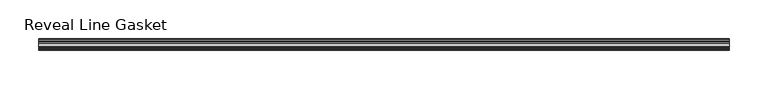
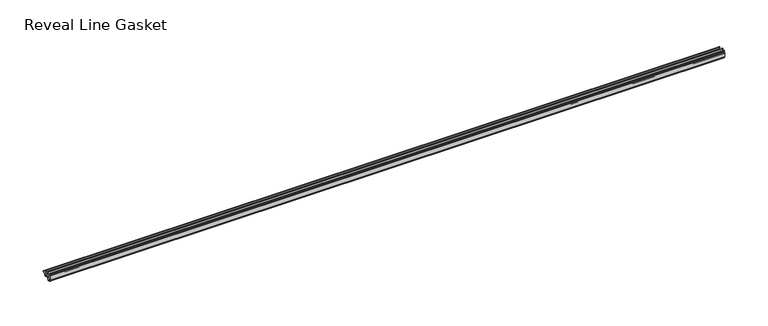
"""IFC4 building model written with IfcOpenShell, lengths in millimetres: furniture geometry, Reveal Line Gasket."""

import ifcopenshell
import ifcopenshell.guid

model = None  # the IFC model being written
_history = None  # IfcOwnerHistory: only IFC2X3 demands one
_inside = {}  # id of a spatial element -> (the spatial element, [elements in it])
_under = {}  # id of a project, library or spatial element -> (it, [spatial elements below it])
_declared = {}  # id of a project -> (the project, [libraries it declares])
_typed = {}  # id of a type object -> (the type object, [elements of that type])
_made_of = {}  # id of a material, layer set ... -> (it, [elements and type objects made of it])


def new_model(schema):
    """Start an empty IFC model of exactly this schema.

    Asked for "IFC4X3", IfcOpenShell would pick the latest addendum, in which some entities
    have other attributes; the version numbers below select the first issue.
    IFC2X3 requires an IfcOwnerHistory on every rooted entity: one is made here for all.
    """
    global model, _history
    if schema == "IFC4X3":
        model = ifcopenshell.file(schema_version=(4, 3, 0, 0))
    else:
        model = ifcopenshell.file(schema=schema)
    _inside.clear()
    _under.clear()
    _declared.clear()
    _typed.clear()
    _made_of.clear()
    _history = None
    if model.schema == "IFC2X3":
        org = make("IfcOrganization", Name="unknown")
        user = make(
            "IfcPersonAndOrganization",
            ThePerson=make("IfcPerson", FamilyName="unknown"),
            TheOrganization=org,
        )
        app = make(
            "IfcApplication",
            ApplicationDeveloper=org,
            Version="unknown",
            ApplicationFullName="unknown",
            ApplicationIdentifier="unknown",
        )
        _history = make(
            "IfcOwnerHistory",
            OwningUser=user,
            OwningApplication=app,
            ChangeAction="ADDED",
            CreationDate=0,
        )
    return model


def make(cls, **values):
    """One entity of the class cls with the attributes given. An attribute that is None is left unset."""
    return model.create_entity(
        cls, **{name: value for name, value in values.items() if value is not None}
    )


def rooted(cls, **values):
    """An entity with a GlobalId (a new one), such as an element, a storey or a relation."""
    return make(cls, GlobalId=ifcopenshell.guid.new(), OwnerHistory=_history, **values)


def si_unit(unit_type, name, prefix=None):
    """IfcSIUnit, for example si_unit("LENGTHUNIT", "METRE", prefix="MILLI")."""
    return make("IfcSIUnit", UnitType=unit_type, Prefix=prefix, Name=name)


def assignment(units):
    """IfcUnitAssignment: the units of a project."""
    return None if units is None else make("IfcUnitAssignment", Units=units)


def point(xyz):
    """IfcCartesianPoint."""
    return None if xyz is None else make("IfcCartesianPoint", Coordinates=xyz)


def direction(xyz):
    """IfcDirection."""
    return None if xyz is None else make("IfcDirection", DirectionRatios=xyz)


def frame(location, z_axis=None, x_axis=None):
    """IfcAxis2Placement3D, a coordinate frame: its origin and axes. An axis left out is left unset."""
    return make(
        "IfcAxis2Placement3D",
        Location=point(location),
        Axis=direction(z_axis),
        RefDirection=direction(x_axis),
    )


def frame_2d(location, x_axis=None):
    """IfcAxis2Placement2D, a coordinate frame in the plane: its origin and x axis."""
    return make(
        "IfcAxis2Placement2D", Location=point(location), RefDirection=direction(x_axis)
    )


def origin():
    """The frame at (0, 0, 0) with its axes left unset."""
    return frame((0.0, 0.0, 0.0))


def place(relative_to, where):
    """IfcLocalPlacement: puts the frame where relative to a parent placement (None: the world)."""
    return make(
        "IfcLocalPlacement", PlacementRelTo=relative_to, RelativePlacement=where
    )


def context(
    kind, dimensions, precision=None, world=None, true_north=None, identifier=None
):
    """IfcGeometricRepresentationContext, for example the 3D "Model" context."""
    return make(
        "IfcGeometricRepresentationContext",
        ContextIdentifier=identifier,
        ContextType=kind,
        CoordinateSpaceDimension=dimensions,
        Precision=precision,
        WorldCoordinateSystem=world,
        TrueNorth=true_north,
    )


def project(units=None, contexts=None):
    """IfcProject with its units and contexts."""
    return rooted(
        "IfcProject",
        Name="project",
        RepresentationContexts=contexts,
        UnitsInContext=assignment(units),
    )


def spatial(cls, under=None, at=None, **own):
    """A site, building, storey or space (cls), placed at a placement, below another one or the project."""
    s = rooted(cls, ObjectPlacement=at, **own)
    if under is not None:
        _under.setdefault(under.id(), (under, []))[1].append(s)
    return s


def polyline(points):
    """IfcPolyline through the points."""
    return make("IfcPolyline", Points=[point(p) for p in points])


def circle_curve(where, radius):
    """IfcCircle in the frame where."""
    return make("IfcCircle", Position=where, Radius=radius)


def trimmed(basis, trim1, trim2, sense, master):
    """IfcTrimmedCurve: the piece of a basis curve between two trims."""
    return make(
        "IfcTrimmedCurve",
        BasisCurve=basis,
        Trim1=trim1,
        Trim2=trim2,
        SenseAgreement=sense,
        MasterRepresentation=master,
    )


def segment(curve, same_sense, transition):
    """IfcCompositeCurveSegment."""
    return make(
        "IfcCompositeCurveSegment",
        Transition=transition,
        SameSense=same_sense,
        ParentCurve=curve,
    )


def composite_curve(segments, self_intersect=None):
    """IfcCompositeCurve: segments joined end to end."""
    return make("IfcCompositeCurve", Segments=segments, SelfIntersect=self_intersect)


def outline(outer, holes=None, kind="AREA"):
    """IfcArbitraryClosedProfileDef: a profile drawn as a closed curve; with holes, ...WithVoids."""
    if holes is None:
        return make("IfcArbitraryClosedProfileDef", ProfileType=kind, OuterCurve=outer)
    return make(
        "IfcArbitraryProfileDefWithVoids",
        ProfileType=kind,
        OuterCurve=outer,
        InnerCurves=holes,
    )


def extrude(swept, where, along, depth):
    """IfcExtrudedAreaSolid: the profile swept, set in the frame where, extruded along a direction by depth."""
    return make(
        "IfcExtrudedAreaSolid",
        SweptArea=swept,
        Position=where,
        ExtrudedDirection=direction(along),
        Depth=depth,
    )


def shape(context_of_items, identifier, shape_type, items):
    """IfcShapeRepresentation: the items that make up one representation, for example the "Body"."""
    return make(
        "IfcShapeRepresentation",
        ContextOfItems=context_of_items,
        RepresentationIdentifier=identifier,
        RepresentationType=shape_type,
        Items=items,
    )


def source(mapping_origin, context_of_items, identifier, shape_type, items):
    """IfcRepresentationMap: a shape defined once, which mapped items show again and again."""
    return make(
        "IfcRepresentationMap",
        MappingOrigin=mapping_origin,
        MappedRepresentation=shape(context_of_items, identifier, shape_type, items),
    )


def transform(
    local_origin,
    x_axis=None,
    y_axis=None,
    z_axis=None,
    scale=None,
    scale2=None,
    scale3=None,
    uniform=True,
):
    """IfcCartesianTransformationOperator3D, or its non-uniform kind. x_axis, y_axis, z_axis: its Axis1, 2, 3."""
    if uniform:
        return make(
            "IfcCartesianTransformationOperator3D",
            Axis1=direction(x_axis),
            Axis2=direction(y_axis),
            LocalOrigin=point(local_origin),
            Scale=scale,
            Axis3=direction(z_axis),
        )
    return make(
        "IfcCartesianTransformationOperator3DnonUniform",
        Axis1=direction(x_axis),
        Axis2=direction(y_axis),
        LocalOrigin=point(local_origin),
        Scale=scale,
        Axis3=direction(z_axis),
        Scale2=scale2,
        Scale3=scale3,
    )


def mapped(mapping_source, mapping_target):
    """IfcMappedItem: shows the shape of a source again, moved by a transform."""
    return make(
        "IfcMappedItem", MappingSource=mapping_source, MappingTarget=mapping_target
    )


def made_of(thing, what):
    """Note that an element or type object is made of a material, layer set ...; save() writes the relation."""
    if what is not None:
        _made_of.setdefault(what.id(), (what, []))[1].append(thing)
    return thing


def element(
    cls,
    number,
    at=None,
    inside=None,
    cuts=None,
    type_object=None,
    material=None,
    context=None,
    identifier="Body",
    shape_type=None,
    held_by="IfcProductDefinitionShape",
    body=None,
    shapes=None,
    **own,
):
    """One element of the class cls, such as IfcWall. Its Tag is "e" and its number.

    at: its placement. inside: the storey or other place that contains it. cuts: it is an
    opening in that element (IfcRelVoidsElement). A single representation is given by context,
    identifier, shape_type and body (its items); several are given by shapes. held_by: the class
    of the entity that holds the representations. save() writes the other relations.
    """
    e = rooted(cls, Tag="e%d" % number, ObjectPlacement=at, **own)
    if body is not None:
        shapes = [shape(context, identifier, shape_type, body)]
    if shapes is not None:
        e.Representation = make(held_by, Representations=shapes)
    if inside is not None:
        _inside.setdefault(inside.id(), (inside, []))[1].append(e)
    if cuts is not None:
        rooted(
            "IfcRelVoidsElement", RelatingBuildingElement=cuts, RelatedOpeningElement=e
        )
    if type_object is not None:
        _typed.setdefault(type_object.id(), (type_object, []))[1].append(e)
    return made_of(e, material)


def aggregate(whole, parts):
    """IfcRelAggregates: a whole, such as a stair, and the parts it consists of."""
    return rooted("IfcRelAggregates", RelatingObject=whole, RelatedObjects=parts)


def save(model, path):
    """Write the relations noted so far, then the file.

    IfcRelAggregates (storeys below a building ...), IfcRelContainedInSpatialStructure (elements
    in a storey), IfcRelDefinesByType, IfcRelAssociatesMaterial and IfcRelDeclares: one each for
    every whole, place, type object, material and project.
    """
    for whole, parts in _under.values():
        aggregate(whole, parts)
    for where, things in _inside.values():
        rooted(
            "IfcRelContainedInSpatialStructure",
            RelatedElements=things,
            RelatingStructure=where,
        )
    for kind, things in _typed.values():
        rooted("IfcRelDefinesByType", RelatedObjects=things, RelatingType=kind)
    for what, things in _made_of.values():
        rooted("IfcRelAssociatesMaterial", RelatedObjects=things, RelatingMaterial=what)
    for by, libraries in _declared.values():
        rooted("IfcRelDeclares", RelatingContext=by, RelatedDefinitions=libraries)
    model.write(path)


def reveal_line_gasket_031addda(model_context):
    return source(origin(), model_context, "Body", "SweptSolid", [
        extrude(outline(composite_curve([segment(polyline([(-7.6326998, 1603.2), (-7.4091917, 1604.1554927), (-6.8813059, 1605.0884684)]), True, "CONTINUOUS"), segment(trimmed(circle_curve(frame_2d((-6.5243141, 1604.8864793)), 0.4101739), [point((-6.8813059, 1605.0884684))], [point((-6.1246704, 1604.7941347))], False, "CARTESIAN"), True, "CONTINUOUS"), segment(polyline([(-6.1246704, 1604.7941347), (-6.3626997, 1603.0979086), (-6.3626997, 1601.0654527)]), True, "CONTINUOUS"), segment(trimmed(circle_curve(frame_2d((-5.6959605, 1601.4819258)), 0.786124), [point((-6.3626997, 1601.0654527))], [point((-5.0926996, 1600.977875))], True, "CARTESIAN"), True, "CONTINUOUS"), segment(polyline([(-5.0926996, 1600.977875), (-0.7492996, 1600.977875), (-3.7293824, 1606.1395295)]), True, "CONTINUOUS"), segment(trimmed(circle_curve(frame_2d((-3.3132479, 1606.2049761)), 0.4212495), [point((-3.7293824, 1606.1395295))], [point((-3.0485022, 1606.5326358))], False, "CARTESIAN"), True, "CONTINUOUS"), segment(polyline([(-3.0485022, 1606.5326358), (0.5742594, 1600.977875), (4.8262978, 1600.977875), (3.1660374, 1603.8535297)]), True, "CONTINUOUS"), segment(trimmed(circle_curve(frame_2d((3.5978728, 1603.9118855)), 0.4357605), [point((3.1660374, 1603.8535297))], [point((3.864328, 1604.2566881))], False, "CARTESIAN"), True, "CONTINUOUS"), segment(polyline([(3.864328, 1604.2566881), (6.1944059, 1600.977875), (7.6326998, 1600.977875), (7.6326998, 1599.422125), (6.1944059, 1599.422125), (3.864328, 1596.1433119)]), True, "CONTINUOUS"), segment(trimmed(circle_curve(frame_2d((3.5978728, 1596.4881145)), 0.4357605), [point((3.864328, 1596.1433119))], [point((3.1660374, 1596.5464703))], False, "CARTESIAN"), True, "CONTINUOUS"), segment(polyline([(3.1660374, 1596.5464703), (4.8262978, 1599.422125), (0.5742594, 1599.422125), (-3.0485022, 1593.8673642)]), True, "CONTINUOUS"), segment(trimmed(circle_curve(frame_2d((-3.3132479, 1594.1950239)), 0.4212495), [point((-3.0485022, 1593.8673642))], [point((-3.7293824, 1594.2604705))], False, "CARTESIAN"), True, "CONTINUOUS"), segment(polyline([(-3.7293824, 1594.2604705), (-0.7492996, 1599.422125), (-5.0926996, 1599.422125)]), True, "CONTINUOUS"), segment(trimmed(circle_curve(frame_2d((-5.6959605, 1598.9180742)), 0.786124), [point((-5.0926996, 1599.422125))], [point((-6.3626997, 1599.3345473))], True, "CARTESIAN"), True, "CONTINUOUS"), segment(polyline([(-6.3626997, 1599.3345473), (-6.3626997, 1597.3020914), (-6.1246704, 1595.6058653)]), True, "CONTINUOUS"), segment(trimmed(circle_curve(frame_2d((-6.5243141, 1595.5135207)), 0.4101739), [point((-6.1246704, 1595.6058653))], [point((-6.8813059, 1595.3115316))], False, "CARTESIAN"), True, "CONTINUOUS"), segment(polyline([(-6.8813059, 1595.3115316), (-7.4091917, 1596.2445073), (-7.6326998, 1597.2), (-7.6326998, 1603.2)]), True, "CONTINUOUS")], self_intersect=False)), frame((-448.1315163, 0.0, 0.0), z_axis=(1.0, 0.0, 0.0), x_axis=(0.0, 1.0, 0.0)), (0.0, 0.0, 1.0), 896.2630326),
    ])


if __name__ == "__main__":
    model = new_model("IFC4")
    model_context = context("Model", 3, world=origin())
    ifc_project = project(units=[si_unit("LENGTHUNIT", "METRE", prefix="MILLI")], contexts=[model_context])
    site = spatial("IfcSite", under=ifc_project)
    building = spatial("IfcBuilding", under=site)
    placement = place(None, origin())
    reveal_line_gasket_shape = reveal_line_gasket_031addda(model_context)
    element("IfcFurniture", 1, ObjectType="Reveal Line Gasket", at=placement, inside=building, context=model_context, shape_type="MappedRepresentation", body=[
        mapped(reveal_line_gasket_shape, transform((0.0, 0.0, 0.0), x_axis=(1.0, 0.0, 0.0), y_axis=(0.0, 1.0, 0.0), z_axis=(0.0, 0.0, 1.0))),
    ])
    save(model, "model.ifc")
